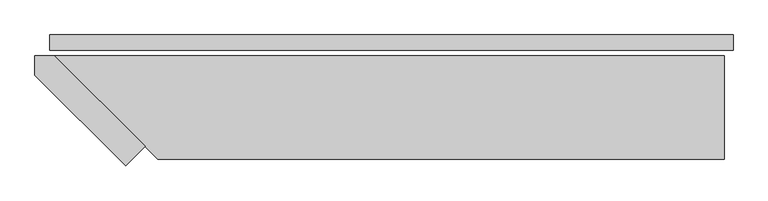
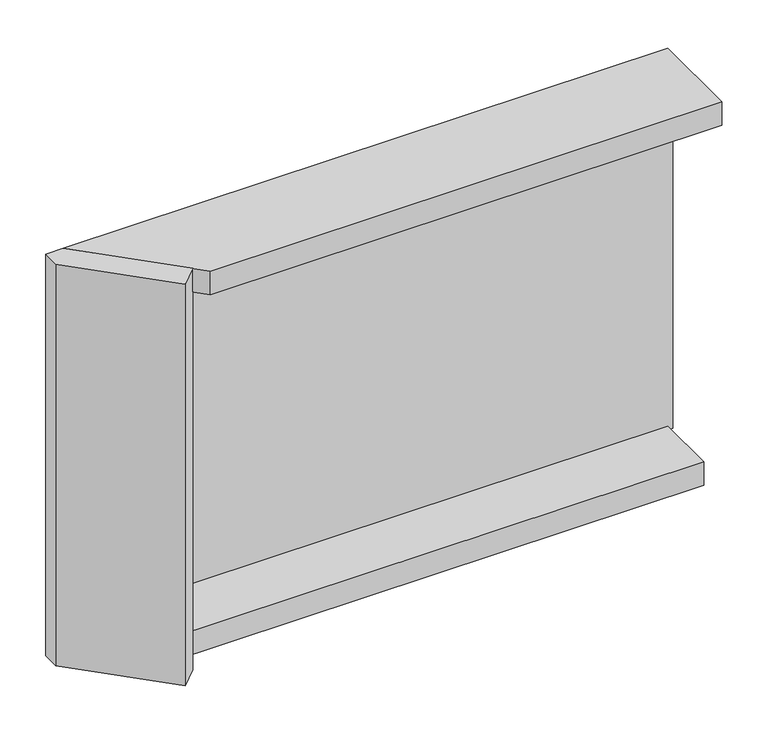
"""IFC4 building model written with IfcOpenShell, lengths in millimetres: plate geometry."""

import ifcopenshell
import ifcopenshell.guid

model = None  # the IFC model being written
_history = None  # IfcOwnerHistory: only IFC2X3 demands one
_inside = {}  # id of a spatial element -> (the spatial element, [elements in it])
_under = {}  # id of a project, library or spatial element -> (it, [spatial elements below it])
_declared = {}  # id of a project -> (the project, [libraries it declares])
_typed = {}  # id of a type object -> (the type object, [elements of that type])
_made_of = {}  # id of a material, layer set ... -> (it, [elements and type objects made of it])


def new_model(schema):
    """Start an empty IFC model of exactly this schema.

    Asked for "IFC4X3", IfcOpenShell would pick the latest addendum, in which some entities
    have other attributes; the version numbers below select the first issue.
    IFC2X3 requires an IfcOwnerHistory on every rooted entity: one is made here for all.
    """
    global model, _history
    if schema == "IFC4X3":
        model = ifcopenshell.file(schema_version=(4, 3, 0, 0))
    else:
        model = ifcopenshell.file(schema=schema)
    _inside.clear()
    _under.clear()
    _declared.clear()
    _typed.clear()
    _made_of.clear()
    _history = None
    if model.schema == "IFC2X3":
        org = make("IfcOrganization", Name="unknown")
        user = make(
            "IfcPersonAndOrganization",
            ThePerson=make("IfcPerson", FamilyName="unknown"),
            TheOrganization=org,
        )
        app = make(
            "IfcApplication",
            ApplicationDeveloper=org,
            Version="unknown",
            ApplicationFullName="unknown",
            ApplicationIdentifier="unknown",
        )
        _history = make(
            "IfcOwnerHistory",
            OwningUser=user,
            OwningApplication=app,
            ChangeAction="ADDED",
            CreationDate=0,
        )
    return model


def make(cls, **values):
    """One entity of the class cls with the attributes given. An attribute that is None is left unset."""
    return model.create_entity(
        cls, **{name: value for name, value in values.items() if value is not None}
    )


def rooted(cls, **values):
    """An entity with a GlobalId (a new one), such as an element, a storey or a relation."""
    return make(cls, GlobalId=ifcopenshell.guid.new(), OwnerHistory=_history, **values)


def si_unit(unit_type, name, prefix=None):
    """IfcSIUnit, for example si_unit("LENGTHUNIT", "METRE", prefix="MILLI")."""
    return make("IfcSIUnit", UnitType=unit_type, Prefix=prefix, Name=name)


def assignment(units):
    """IfcUnitAssignment: the units of a project."""
    return None if units is None else make("IfcUnitAssignment", Units=units)


def point(xyz):
    """IfcCartesianPoint."""
    return None if xyz is None else make("IfcCartesianPoint", Coordinates=xyz)


def direction(xyz):
    """IfcDirection."""
    return None if xyz is None else make("IfcDirection", DirectionRatios=xyz)


def frame(location, z_axis=None, x_axis=None):
    """IfcAxis2Placement3D, a coordinate frame: its origin and axes. An axis left out is left unset."""
    return make(
        "IfcAxis2Placement3D",
        Location=point(location),
        Axis=direction(z_axis),
        RefDirection=direction(x_axis),
    )


def origin():
    """The frame at (0, 0, 0) with its axes left unset."""
    return frame((0.0, 0.0, 0.0))


def origin_with_axes():
    """The frame at (0, 0, 0) with the z axis (0, 0, 1) and the x axis (1, 0, 0) written out."""
    return frame((0.0, 0.0, 0.0), z_axis=(0.0, 0.0, 1.0), x_axis=(1.0, 0.0, 0.0))


def place(relative_to, where):
    """IfcLocalPlacement: puts the frame where relative to a parent placement (None: the world)."""
    return make(
        "IfcLocalPlacement", PlacementRelTo=relative_to, RelativePlacement=where
    )


def context(
    kind, dimensions, precision=None, world=None, true_north=None, identifier=None
):
    """IfcGeometricRepresentationContext, for example the 3D "Model" context."""
    return make(
        "IfcGeometricRepresentationContext",
        ContextIdentifier=identifier,
        ContextType=kind,
        CoordinateSpaceDimension=dimensions,
        Precision=precision,
        WorldCoordinateSystem=world,
        TrueNorth=true_north,
    )


def project(units=None, contexts=None):
    """IfcProject with its units and contexts."""
    return rooted(
        "IfcProject",
        Name="project",
        RepresentationContexts=contexts,
        UnitsInContext=assignment(units),
    )


def spatial(cls, under=None, at=None, **own):
    """A site, building, storey or space (cls), placed at a placement, below another one or the project."""
    s = rooted(cls, ObjectPlacement=at, **own)
    if under is not None:
        _under.setdefault(under.id(), (under, []))[1].append(s)
    return s


def polyline(points):
    """IfcPolyline through the points."""
    return make("IfcPolyline", Points=[point(p) for p in points])


def outline(outer, holes=None, kind="AREA"):
    """IfcArbitraryClosedProfileDef: a profile drawn as a closed curve; with holes, ...WithVoids."""
    if holes is None:
        return make("IfcArbitraryClosedProfileDef", ProfileType=kind, OuterCurve=outer)
    return make(
        "IfcArbitraryProfileDefWithVoids",
        ProfileType=kind,
        OuterCurve=outer,
        InnerCurves=holes,
    )


def extrude(swept, where, along, depth):
    """IfcExtrudedAreaSolid: the profile swept, set in the frame where, extruded along a direction by depth."""
    return make(
        "IfcExtrudedAreaSolid",
        SweptArea=swept,
        Position=where,
        ExtrudedDirection=direction(along),
        Depth=depth,
    )


def shape(context_of_items, identifier, shape_type, items):
    """IfcShapeRepresentation: the items that make up one representation, for example the "Body"."""
    return make(
        "IfcShapeRepresentation",
        ContextOfItems=context_of_items,
        RepresentationIdentifier=identifier,
        RepresentationType=shape_type,
        Items=items,
    )


def source(mapping_origin, context_of_items, identifier, shape_type, items):
    """IfcRepresentationMap: a shape defined once, which mapped items show again and again."""
    return make(
        "IfcRepresentationMap",
        MappingOrigin=mapping_origin,
        MappedRepresentation=shape(context_of_items, identifier, shape_type, items),
    )


def transform(
    local_origin,
    x_axis=None,
    y_axis=None,
    z_axis=None,
    scale=None,
    scale2=None,
    scale3=None,
    uniform=True,
):
    """IfcCartesianTransformationOperator3D, or its non-uniform kind. x_axis, y_axis, z_axis: its Axis1, 2, 3."""
    if uniform:
        return make(
            "IfcCartesianTransformationOperator3D",
            Axis1=direction(x_axis),
            Axis2=direction(y_axis),
            LocalOrigin=point(local_origin),
            Scale=scale,
            Axis3=direction(z_axis),
        )
    return make(
        "IfcCartesianTransformationOperator3DnonUniform",
        Axis1=direction(x_axis),
        Axis2=direction(y_axis),
        LocalOrigin=point(local_origin),
        Scale=scale,
        Axis3=direction(z_axis),
        Scale2=scale2,
        Scale3=scale3,
    )


def mapped(mapping_source, mapping_target):
    """IfcMappedItem: shows the shape of a source again, moved by a transform."""
    return make(
        "IfcMappedItem", MappingSource=mapping_source, MappingTarget=mapping_target
    )


def made_of(thing, what):
    """Note that an element or type object is made of a material, layer set ...; save() writes the relation."""
    if what is not None:
        _made_of.setdefault(what.id(), (what, []))[1].append(thing)
    return thing


def element(
    cls,
    number,
    at=None,
    inside=None,
    cuts=None,
    type_object=None,
    material=None,
    context=None,
    identifier="Body",
    shape_type=None,
    held_by="IfcProductDefinitionShape",
    body=None,
    shapes=None,
    **own,
):
    """One element of the class cls, such as IfcWall. Its Tag is "e" and its number.

    at: its placement. inside: the storey or other place that contains it. cuts: it is an
    opening in that element (IfcRelVoidsElement). A single representation is given by context,
    identifier, shape_type and body (its items); several are given by shapes. held_by: the class
    of the entity that holds the representations. save() writes the other relations.
    """
    e = rooted(cls, Tag="e%d" % number, ObjectPlacement=at, **own)
    if body is not None:
        shapes = [shape(context, identifier, shape_type, body)]
    if shapes is not None:
        e.Representation = make(held_by, Representations=shapes)
    if inside is not None:
        _inside.setdefault(inside.id(), (inside, []))[1].append(e)
    if cuts is not None:
        rooted(
            "IfcRelVoidsElement", RelatingBuildingElement=cuts, RelatedOpeningElement=e
        )
    if type_object is not None:
        _typed.setdefault(type_object.id(), (type_object, []))[1].append(e)
    return made_of(e, material)


def aggregate(whole, parts):
    """IfcRelAggregates: a whole, such as a stair, and the parts it consists of."""
    return rooted("IfcRelAggregates", RelatingObject=whole, RelatedObjects=parts)


def save(model, path):
    """Write the relations noted so far, then the file.

    IfcRelAggregates (storeys below a building ...), IfcRelContainedInSpatialStructure (elements
    in a storey), IfcRelDefinesByType, IfcRelAssociatesMaterial and IfcRelDeclares: one each for
    every whole, place, type object, material and project.
    """
    for whole, parts in _under.values():
        aggregate(whole, parts)
    for where, things in _inside.values():
        rooted(
            "IfcRelContainedInSpatialStructure",
            RelatedElements=things,
            RelatingStructure=where,
        )
    for kind, things in _typed.values():
        rooted("IfcRelDefinesByType", RelatedObjects=things, RelatingType=kind)
    for what, things in _made_of.values():
        rooted("IfcRelAssociatesMaterial", RelatedObjects=things, RelatingMaterial=what)
    for by, libraries in _declared.values():
        rooted("IfcRelDeclares", RelatingContext=by, RelatedDefinitions=libraries)
    model.write(path)


def plate_6b4f5ef1(model_context):
    return source(origin(), model_context, "Body", "SweptSolid", [
        extrude(outline(polyline([(991.0, 0.0), (991.0, -44.0), (-991.0, -44.0), (-991.0, 0.0), (991.0, 0.0)])), origin_with_axes(), (0.0, 0.0, 1.0), 1254.465707),
        extrude(outline(polyline([(-714.0, -323.4314575), (-770.5685425, -380.0), (-1034.0, -116.5685425), (-1034.0, -60.0), (-977.4314575, -60.0), (-714.0, -323.4314575)])), frame((0.0, 0.0, -55.0), z_axis=(0.0, 0.0, 1.0), x_axis=(1.0, 0.0, 0.0)), (0.0, 0.0, 1.0), 1364.465707),
        extrude(outline(polyline([(966.0, -260.0), (-777.4314575, -260.0), (-977.4314575, -60.0), (966.0, -60.0), (966.0, -260.0)])), frame((0.0, 0.0, -55.0), z_axis=(0.0, 0.0, 1.0), x_axis=(1.0, 0.0, 0.0)), (0.0, 0.0, 1.0), 80.0),
        extrude(outline(polyline([(966.0, -360.0), (-677.4314575, -360.0), (-977.4314575, -60.0), (966.0, -60.0), (966.0, -360.0)])), frame((0.0, 0.0, 1229.465707), z_axis=(0.0, 0.0, 1.0), x_axis=(1.0, 0.0, 0.0)), (0.0, 0.0, 1.0), 80.0),
    ])


if __name__ == "__main__":
    model = new_model("IFC4")
    model_context = context("Model", 3, world=origin())
    ifc_project = project(units=[si_unit("LENGTHUNIT", "METRE", prefix="MILLI")], contexts=[model_context])
    site = spatial("IfcSite", under=ifc_project)
    building = spatial("IfcBuilding", under=site)
    placement = place(None, origin())
    plate_shape = plate_6b4f5ef1(model_context)
    element("IfcPlate", 1, at=placement, inside=building, context=model_context, shape_type="MappedRepresentation", body=[
        mapped(plate_shape, transform((0.0, 0.0, 0.0), x_axis=(1.0, 0.0, 0.0), y_axis=(0.0, 1.0, 0.0), z_axis=(0.0, 0.0, 1.0))),
    ])
    save(model, "model.ifc")
